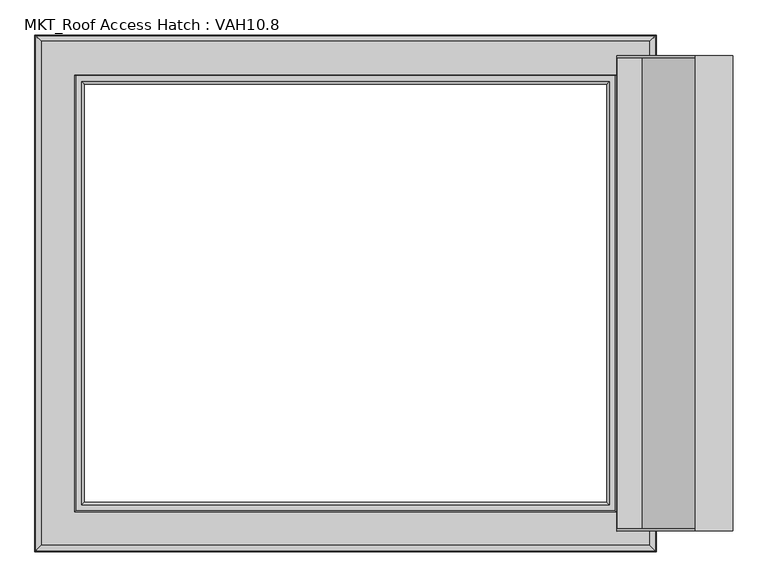
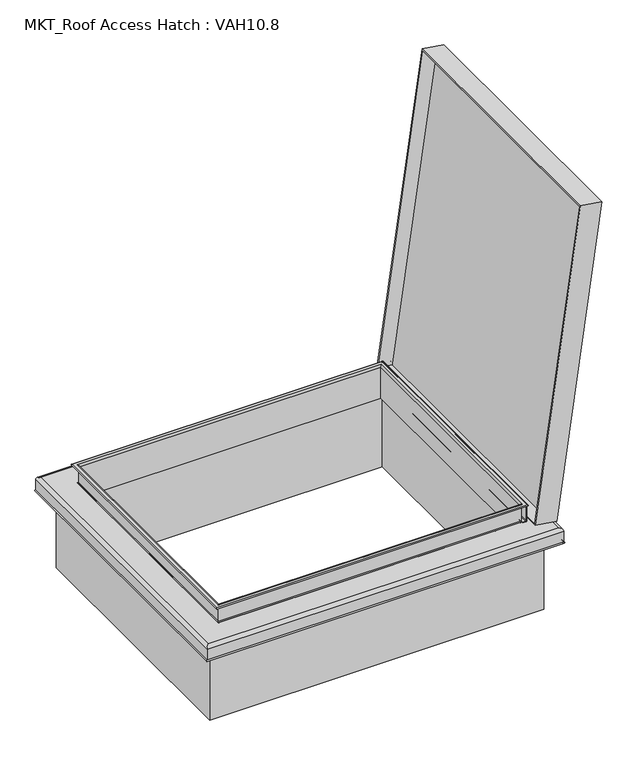
"""IFC4 building model written with IfcOpenShell, lengths in millimetres: proxy geometry, MKT_Roof Access Hatch : VAH10.8."""

from ifc_helpers import new_model, si_unit, point, frame, frame_2d, origin, origin_with_axes, place, context, project, spatial, polyline, circle_curve, ellipse_curve, trimmed, segment, composite_curve, outline, extrude, faceted_brep, source, transform, mapped, element, save
from ifc_brep_helpers import plane_surface, cylinder_surface, revolved_surface, advanced_brep


def mkt_roof_access_hatch_vah10_8_7f130810(model_context):
    return source(origin(), model_context, "Body", "SolidModel", [
        faceted_brep([(519.0402499, 455.0, 315.5334715), (519.0402499, -455.0, 315.5334715), (669.347199, -455.0, 1385.0229858), (669.347199, 455.0, 1385.0229858), (519.7361154, 450.0, 320.4848119), (668.6513335, 450.0, 1380.0716454), (668.6513335, -450.0, 1380.0716454), (519.7361154, -450.0, 320.4848119), (590.3395509, 455.0, 305.5130083), (740.6464999, 455.0, 1375.0025225), (740.6464999, -455.0, 1375.0025225), (590.3395509, -455.0, 305.5130083), (567.2689827, 450.0, 313.804503), (567.2689827, -450.0, 313.804503), (716.1842008, -450.0, 1373.3913366), (716.1842008, 450.0, 1373.3913366)], [[[0, 1, 2, 3], [4, 5, 6, 7]], [[8, 9, 10, 11]], [[1, 0, 8, 11]], [[2, 1, 11, 10]], [[3, 2, 10, 9]], [[0, 3, 9, 8]], [[12, 13, 14, 15]], [[12, 15, 5, 4]], [[15, 14, 6, 5]], [[14, 13, 7, 6]], [[13, 12, 4, 7]]]),
        extrude(outline(composite_curve([segment(polyline([(361.5, 513.4), (361.5, 504.5), (359.5, 504.5), (359.5, 513.4)]), True, "CONTINUOUS"), segment(trimmed(circle_curve(frame_2d((356.9, 513.4)), 2.6), [point((359.5, 513.4))], [point((356.9, 516.0))], True, "CARTESIAN"), True, "CONTINUOUS"), segment(polyline([(356.9, 516.0), (307.1, 516.0)]), True, "CONTINUOUS"), segment(trimmed(circle_curve(frame_2d((307.1, 513.4)), 2.6), [point((307.1, 516.0))], [point((304.5, 513.4))], True, "CARTESIAN"), True, "CONTINUOUS"), segment(polyline([(304.5, 513.4), (304.5, 504.5), (302.5, 504.5), (302.5, 513.4)]), True, "CONTINUOUS"), segment(trimmed(circle_curve(frame_2d((307.1, 513.4)), 4.6), [point((302.5, 513.4))], [point((307.1, 518.0))], False, "CARTESIAN"), True, "CONTINUOUS"), segment(polyline([(307.1, 518.0), (356.9, 518.0)]), True, "CONTINUOUS"), segment(trimmed(circle_curve(frame_2d((356.9, 513.4)), 4.6), [point((356.9, 518.0))], [point((361.5, 513.4))], False, "CARTESIAN"), True, "CONTINUOUS")], self_intersect=False)), frame((0.0, -410.0, 0.0), z_axis=(0.0, 1.0, 0.0), x_axis=(0.0, 0.0, 1.0)), (0.0, 0.0, 1.0), 820.0),
        extrude(outline(polyline([(555.0, 439.4933468), (555.0, -442.0066532), (-555.0, -442.0066532), (-555.0, 439.4933468), (555.0, 439.4933468)]), holes=[polyline([(510.0, 410.0), (-510.0, 410.0), (-510.0, -410.0), (510.0, -410.0), (510.0, 410.0)])]), origin_with_axes(), (0.0, 0.0, 1.0), 299.5),
        advanced_brep(
        [(505.0, 405.0, 365.0), (500.0, 400.0, 360.0), (500.0, -400.0, 360.0), (505.0, -405.0, 365.0), (514.6688612, 414.6688612, 362.5), (516.25, 416.25, 365.0), (516.25, -416.25, 365.0), (514.6688612, -414.6688612, 362.5), (502.5, 402.5, 360.0), (505.0, 405.0, 362.5), (505.0, -405.0, 362.5), (502.5, -402.5, 360.0), (502.5, 402.5, 305.5), (502.5, -402.5, 305.5), (505.5, 405.5, 302.5), (505.5, -405.5, 302.5), (592.5, 492.5, 292.5), (582.5, 482.5, 302.5), (582.5, -482.5, 302.5), (592.5, -492.5, 292.5), (592.5, 492.5, 254.9494897), (592.5, -492.5, 254.9494897), (589.5, 489.5, 252.5), (589.5, -489.5, 252.5), (589.5, 489.5, 292.5), (589.5, -489.5, 292.5), (582.5, 482.5, 299.5), (582.5, -482.5, 299.5), (502.5, 402.5, 298.5), (503.5, 403.5, 299.5), (503.5, -403.5, 299.5), (502.5, -402.5, 298.5), (502.5, 402.5, 250.0), (502.5, -402.5, 250.0), (500.0, 400.0, 250.0), (500.0, -400.0, 250.0), (-500.0, -400.0, 360.0), (-505.0, -405.0, 365.0), (-516.25, -416.25, 365.0), (-514.6688612, -414.6688612, 362.5), (-505.0, -405.0, 362.5), (-502.5, -402.5, 360.0), (-502.5, -402.5, 305.5), (-505.5, -405.5, 302.5), (-582.5, -482.5, 302.5), (-592.5, -492.5, 292.5), (-592.5, -492.5, 254.9494897), (-589.5, -489.5, 252.5), (-589.5, -489.5, 292.5), (-582.5, -482.5, 299.5), (-503.5, -403.5, 299.5), (-502.5, -402.5, 298.5), (-502.5, -402.5, 250.0), (-500.0, -400.0, 250.0), (-500.0, 400.0, 360.0), (-505.0, 405.0, 365.0), (-516.25, 416.25, 365.0), (-514.6688612, 414.6688612, 362.5), (-505.0, 405.0, 362.5), (-502.5, 402.5, 360.0), (-502.5, 402.5, 305.5), (-505.5, 405.5, 302.5), (-582.5, 482.5, 302.5), (-592.5, 492.5, 292.5), (-592.5, 492.5, 254.9494897), (-589.5, 489.5, 252.5), (-589.5, 489.5, 292.5), (-582.5, 482.5, 299.5), (-503.5, 403.5, 299.5), (-502.5, 402.5, 298.5), (-502.5, 402.5, 250.0), (-500.0, 400.0, 250.0)],
        [
            (0, 1, ellipse_curve(frame((505.0, 405.0, 360.0), z_axis=(0.7071067811865475, -0.7071067811865475, 0.0), x_axis=(0.7071067811865474, 0.7071067811865476, 0.0)), 7.0710678, 5.0)),
            (1, 2),
            (2, 3, ellipse_curve(frame((505.0, -405.0, 360.0), z_axis=(0.7071067811865475, 0.7071067811865475, 0.0), x_axis=(-0.7071067811865474, 0.7071067811865476, 0.0)), 7.0710678, 5.0)),
            (3, 0),
            (4, 5, ellipse_curve(frame((516.25, 416.25, 363.25), z_axis=(0.7071067811865475, -0.7071067811865475, 0.0), x_axis=(0.7071067811865474, 0.7071067811865476, 0.0)), 2.4748737, 1.75)),
            (5, 6),
            (6, 7, ellipse_curve(frame((516.25, -416.25, 363.25), z_axis=(0.7071067811865475, 0.7071067811865475, 0.0), x_axis=(-0.7071067811865474, 0.7071067811865476, 0.0)), 2.4748737, 1.75)),
            (7, 4),
            (8, 9, ellipse_curve(frame((505.0, 405.0, 360.0), z_axis=(-0.7071067811865475, 0.7071067811865475, 0.0), x_axis=(-0.7071067811865474, -0.7071067811865476, 0.0)), 3.5355339, 2.5)),
            (9, 10),
            (10, 11, ellipse_curve(frame((505.0, -405.0, 360.0), z_axis=(-0.7071067811865475, -0.7071067811865475, 0.0), x_axis=(0.7071067811865474, -0.7071067811865476, 0.0)), 3.5355339, 2.5)),
            (11, 8),
            (12, 8),
            (11, 13),
            (13, 12),
            (14, 12, ellipse_curve(frame((505.5, 405.5, 305.5), z_axis=(-0.7071067811865475, 0.7071067811865475, 0.0), x_axis=(-0.7071067811865474, -0.7071067811865476, 0.0)), 4.2426407, 3.0)),
            (13, 15, ellipse_curve(frame((505.5, -405.5, 305.5), z_axis=(-0.7071067811865475, -0.7071067811865475, 0.0), x_axis=(0.7071067811865474, -0.7071067811865476, 0.0)), 4.2426407, 3.0)),
            (15, 14),
            (16, 17, ellipse_curve(frame((582.5, 482.5, 292.5), z_axis=(0.7071067811865475, -0.7071067811865475, 0.0), x_axis=(0.7071067811865474, 0.7071067811865476, 0.0)), 14.1421356, 10.0)),
            (17, 18),
            (18, 19, ellipse_curve(frame((582.5, -482.5, 292.5), z_axis=(0.7071067811865475, 0.7071067811865475, 0.0), x_axis=(-0.7071067811865474, 0.7071067811865476, 0.0)), 14.1421356, 10.0)),
            (19, 16),
            (20, 16),
            (19, 21),
            (21, 20),
            (22, 20, ellipse_curve(frame((592.0, 492.0, 252.5), z_axis=(0.7071067811865475, -0.7071067811865475, 0.0), x_axis=(0.7071067811865474, 0.7071067811865476, 0.0)), 3.5355339, 2.5)),
            (21, 23, ellipse_curve(frame((592.0, -492.0, 252.5), z_axis=(0.7071067811865475, 0.7071067811865475, 0.0), x_axis=(-0.7071067811865474, 0.7071067811865476, 0.0)), 3.5355339, 2.5)),
            (23, 22),
            (24, 22),
            (23, 25),
            (25, 24),
            (26, 24, ellipse_curve(frame((582.5, 482.5, 292.5), z_axis=(-0.7071067811865475, 0.7071067811865475, 0.0), x_axis=(-0.7071067811865474, -0.7071067811865476, 0.0)), 9.8994949, 7.0)),
            (25, 27, ellipse_curve(frame((582.5, -482.5, 292.5), z_axis=(-0.7071067811865475, -0.7071067811865475, 0.0), x_axis=(0.7071067811865474, -0.7071067811865476, 0.0)), 9.8994949, 7.0)),
            (27, 26),
            (28, 29, ellipse_curve(frame((503.5, 403.5, 298.5), z_axis=(-0.7071067811865475, 0.7071067811865475, 0.0), x_axis=(-0.7071067811865474, -0.7071067811865476, 0.0)), 1.4142136, 1.0)),
            (29, 30),
            (30, 31, ellipse_curve(frame((503.5, -403.5, 298.5), z_axis=(-0.7071067811865475, -0.7071067811865475, 0.0), x_axis=(0.7071067811865474, -0.7071067811865476, 0.0)), 1.4142136, 1.0)),
            (31, 28),
            (32, 28),
            (31, 33),
            (33, 32),
            (1, 34),
            (34, 35),
            (35, 2),
            (2, 36),
            (36, 37, ellipse_curve(frame((-505.0, -405.0, 360.0), z_axis=(0.7071067811865475, -0.7071067811865475, 0.0), x_axis=(0.7071067811865476, 0.7071067811865474, 0.0)), 7.0710678, 5.0)),
            (37, 3),
            (6, 38),
            (38, 39, ellipse_curve(frame((-516.25, -416.25, 363.25), z_axis=(0.7071067811865475, -0.7071067811865475, 0.0), x_axis=(0.7071067811865476, 0.7071067811865474, 0.0)), 2.4748737, 1.75)),
            (39, 7),
            (10, 40),
            (40, 41, ellipse_curve(frame((-505.0, -405.0, 360.0), z_axis=(-0.7071067811865475, 0.7071067811865475, 0.0), x_axis=(-0.7071067811865476, -0.7071067811865474, 0.0)), 3.5355339, 2.5)),
            (41, 11),
            (41, 42),
            (42, 13),
            (42, 43, ellipse_curve(frame((-505.5, -405.5, 305.5), z_axis=(-0.7071067811865475, 0.7071067811865475, 0.0), x_axis=(-0.7071067811865476, -0.7071067811865474, 0.0)), 4.2426407, 3.0)),
            (43, 15),
            (18, 44),
            (44, 45, ellipse_curve(frame((-582.5, -482.5, 292.5), z_axis=(0.7071067811865475, -0.7071067811865475, 0.0), x_axis=(0.7071067811865476, 0.7071067811865474, 0.0)), 14.1421356, 10.0)),
            (45, 19),
            (45, 46),
            (46, 21),
            (46, 47, ellipse_curve(frame((-592.0, -492.0, 252.5), z_axis=(0.7071067811865475, -0.7071067811865475, 0.0), x_axis=(0.7071067811865476, 0.7071067811865474, 0.0)), 3.5355339, 2.5)),
            (47, 23),
            (47, 48),
            (48, 25),
            (48, 49, ellipse_curve(frame((-582.5, -482.5, 292.5), z_axis=(-0.7071067811865475, 0.7071067811865475, 0.0), x_axis=(-0.7071067811865476, -0.7071067811865474, 0.0)), 9.8994949, 7.0)),
            (49, 27),
            (30, 50),
            (50, 51, ellipse_curve(frame((-503.5, -403.5, 298.5), z_axis=(-0.7071067811865475, 0.7071067811865475, 0.0), x_axis=(-0.7071067811865476, -0.7071067811865474, 0.0)), 1.4142136, 1.0)),
            (51, 31),
            (51, 52),
            (52, 33),
            (35, 53),
            (53, 36),
            (36, 54),
            (54, 55, ellipse_curve(frame((-505.0, 405.0, 360.0), z_axis=(-0.7071067811865475, -0.7071067811865475, 0.0), x_axis=(0.7071067811865474, -0.7071067811865476, 0.0)), 7.0710678, 5.0)),
            (55, 37),
            (38, 56),
            (56, 57, ellipse_curve(frame((-516.25, 416.25, 363.25), z_axis=(-0.7071067811865475, -0.7071067811865475, 0.0), x_axis=(0.7071067811865474, -0.7071067811865476, 0.0)), 2.4748737, 1.75)),
            (57, 39),
            (40, 58),
            (58, 59, ellipse_curve(frame((-505.0, 405.0, 360.0), z_axis=(0.7071067811865475, 0.7071067811865475, 0.0), x_axis=(-0.7071067811865474, 0.7071067811865476, 0.0)), 3.5355339, 2.5)),
            (59, 41),
            (59, 60),
            (60, 42),
            (60, 61, ellipse_curve(frame((-505.5, 405.5, 305.5), z_axis=(0.7071067811865475, 0.7071067811865475, 0.0), x_axis=(-0.7071067811865474, 0.7071067811865476, 0.0)), 4.2426407, 3.0)),
            (61, 43),
            (44, 62),
            (62, 63, ellipse_curve(frame((-582.5, 482.5, 292.5), z_axis=(-0.7071067811865475, -0.7071067811865475, 0.0), x_axis=(0.7071067811865474, -0.7071067811865476, 0.0)), 14.1421356, 10.0)),
            (63, 45),
            (63, 64),
            (64, 46),
            (64, 65, ellipse_curve(frame((-592.0, 492.0, 252.5), z_axis=(-0.7071067811865475, -0.7071067811865475, 0.0), x_axis=(0.7071067811865474, -0.7071067811865476, 0.0)), 3.5355339, 2.5)),
            (65, 47),
            (65, 66),
            (66, 48),
            (66, 67, ellipse_curve(frame((-582.5, 482.5, 292.5), z_axis=(0.7071067811865475, 0.7071067811865475, 0.0), x_axis=(-0.7071067811865474, 0.7071067811865476, 0.0)), 9.8994949, 7.0)),
            (67, 49),
            (50, 68),
            (68, 69, ellipse_curve(frame((-503.5, 403.5, 298.5), z_axis=(0.7071067811865475, 0.7071067811865475, 0.0), x_axis=(-0.7071067811865474, 0.7071067811865476, 0.0)), 1.4142136, 1.0)),
            (69, 51),
            (69, 70),
            (70, 52),
            (53, 71),
            (71, 54),
            (54, 1),
            (0, 55),
            (5, 56),
            (4, 57),
            (9, 58),
            (8, 59),
            (12, 60),
            (14, 61),
            (17, 62),
            (16, 63),
            (20, 64),
            (22, 65),
            (24, 66),
            (26, 67),
            (29, 68),
            (28, 69),
            (32, 70),
            (34, 71),
        ],
        [
            cylinder_surface(frame((505.0, 494.5, 360.0), z_axis=(0.0, 1.0, 0.0), x_axis=(-1.0, 0.0, 0.0)), 5.0),
            cylinder_surface(frame((516.25, 494.5, 363.25), z_axis=(0.0, 1.0, 0.0), x_axis=(-1.0, 0.0, 0.0)), 1.75),
            revolved_surface(polyline([(502.5, -407.49999999580496, 360.0), (502.5, 407.49999999580496, 360.0)]), (505.0, 494.5, 360.0), (0.0, -1.0, 0.0)),
            plane_surface(frame((502.5, 402.5, 360.0), z_axis=(1.0, 0.0, 0.0), x_axis=(0.0, -1.0, 0.0))),
            revolved_surface(polyline([(502.5, -408.500000009108, 305.5), (502.5, 408.500000009108, 305.5)]), (505.5, 494.5, 305.5), (0.0, -1.0, 0.0)),
            cylinder_surface(frame((582.5, 494.5, 292.5), z_axis=(0.0, 1.0, 0.0), x_axis=(-1.0, 0.0, 0.0)), 10.0),
            plane_surface(frame((592.5, 492.5, 292.5), z_axis=(1.0, 0.0, 0.0), x_axis=(0.0, -1.0, 0.0))),
            cylinder_surface(frame((592.0, 494.5, 252.5), z_axis=(0.0, 1.0, 0.0), x_axis=(-1.0, 0.0, 0.0)), 2.5),
            plane_surface(frame((589.5, 489.5, 252.5), z_axis=(-1.0, 0.0, 0.0), x_axis=(0.0, -1.0, 0.0))),
            revolved_surface(polyline([(575.5, -489.5, 292.5), (575.5, 489.5, 292.5)]), (582.5, 494.5, 292.5), (0.0, -1.0, 0.0)),
            revolved_surface(polyline([(502.5, -404.50000002660624, 298.5), (502.5, 404.50000002660624, 298.5)]), (503.5, 494.5, 298.5), (0.0, -1.0, 0.0)),
            plane_surface(frame((502.5, 402.5, 298.5), z_axis=(1.0, 0.0, 0.0), x_axis=(0.0, -1.0, 0.0))),
            plane_surface(frame((500.0, 400.0, 250.0), z_axis=(-1.0, 0.0, 0.0), x_axis=(0.0, -1.0, 0.0))),
            cylinder_surface(frame((594.5, -405.0, 360.0), z_axis=(1.0, 0.0, 0.0), x_axis=(0.0, 1.0, 0.0)), 5.0),
            cylinder_surface(frame((594.5, -416.25, 363.25), z_axis=(1.0, 0.0, 0.0), x_axis=(0.0, 1.0, 0.0)), 1.75),
            revolved_surface(polyline([(-507.49999999580496, -402.5, 360.0), (507.49999999580496, -402.5, 360.0)]), (594.5, -405.0, 360.0), (-1.0, 0.0, 0.0)),
            plane_surface(frame((502.5, -402.5, 360.0), z_axis=(0.0, -1.0, 0.0), x_axis=(-1.0, 0.0, 0.0))),
            revolved_surface(polyline([(-508.50000000910813, -402.5, 305.5), (508.500000009108, -402.5, 305.5)]), (594.5, -405.5, 305.5), (-1.0, 0.0, 0.0)),
            cylinder_surface(frame((594.5, -482.5, 292.5), z_axis=(1.0, 0.0, 0.0), x_axis=(0.0, 1.0, 0.0)), 10.0),
            plane_surface(frame((592.5, -492.5, 292.5), z_axis=(0.0, -1.0, 0.0), x_axis=(-1.0, 0.0, 0.0))),
            cylinder_surface(frame((594.5, -492.0, 252.5), z_axis=(1.0, 0.0, 0.0), x_axis=(0.0, 1.0, 0.0)), 2.5),
            plane_surface(frame((589.5, -489.5, 252.5), z_axis=(0.0, 1.0, 0.0), x_axis=(-1.0, 0.0, 0.0))),
            revolved_surface(polyline([(-589.5, -475.5, 292.5), (589.5, -475.5, 292.5)]), (594.5, -482.5, 292.5), (-1.0, 0.0, 0.0)),
            revolved_surface(polyline([(-504.50000002660613, -402.5, 298.5), (504.50000002660624, -402.5, 298.5)]), (594.5, -403.5, 298.5), (-1.0, 0.0, 0.0)),
            plane_surface(frame((502.5, -402.5, 298.5), z_axis=(0.0, -1.0, 0.0), x_axis=(-1.0, 0.0, 0.0))),
            plane_surface(frame((500.0, -400.0, 250.0), z_axis=(0.0, 1.0, 0.0), x_axis=(-1.0, 0.0, 0.0))),
            cylinder_surface(frame((-505.0, -494.5, 360.0), z_axis=(0.0, -1.0, 0.0), x_axis=(1.0, 0.0, 0.0)), 5.0),
            cylinder_surface(frame((-516.25, -494.5, 363.25), z_axis=(0.0, -1.0, 0.0), x_axis=(1.0, 0.0, 0.0)), 1.75),
            revolved_surface(polyline([(-502.5, 407.49999999580496, 360.0), (-502.5, -407.49999999580496, 360.0)]), (-505.0, -494.5, 360.0), (0.0, 1.0, 0.0)),
            plane_surface(frame((-502.5, -402.5, 360.0), z_axis=(-1.0, 0.0, 0.0), x_axis=(0.0, 1.0, 0.0))),
            revolved_surface(polyline([(-502.5, 408.500000009108, 305.5), (-502.5, -408.500000009108, 305.5)]), (-505.5, -494.5, 305.5), (0.0, 1.0, 0.0)),
            cylinder_surface(frame((-582.5, -494.5, 292.5), z_axis=(0.0, -1.0, 0.0), x_axis=(1.0, 0.0, 0.0)), 10.0),
            plane_surface(frame((-592.5, -492.5, 292.5), z_axis=(-1.0, 0.0, 0.0), x_axis=(0.0, 1.0, 0.0))),
            cylinder_surface(frame((-592.0, -494.5, 252.5), z_axis=(0.0, -1.0, 0.0), x_axis=(1.0, 0.0, 0.0)), 2.5),
            plane_surface(frame((-589.5, -489.5, 252.5), z_axis=(1.0, 0.0, 0.0), x_axis=(0.0, 1.0, 0.0))),
            revolved_surface(polyline([(-575.5, 489.5, 292.5), (-575.5, -489.5, 292.5)]), (-582.5, -494.5, 292.5), (0.0, 1.0, 0.0)),
            revolved_surface(polyline([(-502.5, 404.50000002660624, 298.5), (-502.5, -404.50000002660624, 298.5)]), (-503.5, -494.5, 298.5), (0.0, 1.0, 0.0)),
            plane_surface(frame((-502.5, -402.5, 298.5), z_axis=(-1.0, 0.0, 0.0), x_axis=(0.0, 1.0, 0.0))),
            plane_surface(frame((-500.0, -400.0, 250.0), z_axis=(1.0, 0.0, 0.0), x_axis=(0.0, 1.0, 0.0))),
            cylinder_surface(frame((-594.5, 405.0, 360.0), z_axis=(-1.0, 0.0, 0.0), x_axis=(0.0, -1.0, 0.0)), 5.0),
            plane_surface(frame((-505.0, 405.0, 365.0), z_axis=(0.0, 0.0, 1.0), x_axis=(1.0, 0.0, 0.0))),
            cylinder_surface(frame((-594.5, 416.25, 363.25), z_axis=(-1.0, 0.0, 0.0), x_axis=(0.0, -1.0, 0.0)), 1.75),
            plane_surface(frame((-514.6688612, 414.6688612, 362.5), z_axis=(0.0, 0.0, -1.0), x_axis=(1.0, 0.0, 0.0))),
            revolved_surface(polyline([(507.49999999580496, 402.5, 360.0), (-507.49999999580496, 402.5, 360.0)]), (-594.5, 405.0, 360.0), (1.0, 0.0, 0.0)),
            plane_surface(frame((-502.5, 402.5, 360.0), z_axis=(0.0, 1.0, 0.0), x_axis=(1.0, 0.0, 0.0))),
            revolved_surface(polyline([(508.50000000910813, 402.5, 305.5), (-508.500000009108, 402.5, 305.5)]), (-594.5, 405.5, 305.5), (1.0, 0.0, 0.0)),
            plane_surface(frame((-505.5, 405.5, 302.5), z_axis=(0.0, 0.0, 1.0), x_axis=(1.0, 0.0, 0.0))),
            cylinder_surface(frame((-594.5, 482.5, 292.5), z_axis=(-1.0, 0.0, 0.0), x_axis=(0.0, -1.0, 0.0)), 10.0),
            plane_surface(frame((-592.5, 492.5, 292.5), z_axis=(0.0, 1.0, 0.0), x_axis=(1.0, 0.0, 0.0))),
            cylinder_surface(frame((-594.5, 492.0, 252.5), z_axis=(-1.0, 0.0, 0.0), x_axis=(0.0, -1.0, 0.0)), 2.5),
            plane_surface(frame((-589.5, 489.5, 252.5), z_axis=(0.0, -1.0, 0.0), x_axis=(1.0, 0.0, 0.0))),
            revolved_surface(polyline([(589.5, 475.5, 292.5), (-589.5, 475.5, 292.5)]), (-594.5, 482.5, 292.5), (1.0, 0.0, 0.0)),
            plane_surface(frame((-582.5, 482.5, 299.5), z_axis=(0.0, 0.0, -1.0), x_axis=(1.0, 0.0, 0.0))),
            revolved_surface(polyline([(504.50000002660613, 402.5, 298.5), (-504.50000002660624, 402.5, 298.5)]), (-594.5, 403.5, 298.5), (1.0, 0.0, 0.0)),
            plane_surface(frame((-502.5, 402.5, 298.5), z_axis=(0.0, 1.0, 0.0), x_axis=(1.0, 0.0, 0.0))),
            plane_surface(frame((-502.5, 402.5, 250.0), z_axis=(0.0, 0.0, -1.0), x_axis=(1.0, 0.0, 0.0))),
            plane_surface(frame((-500.0, 400.0, 250.0), z_axis=(0.0, -1.0, 0.0), x_axis=(1.0, 0.0, 0.0))),
        ],
        [
            (0, [[1, 2, 3, 4]]),
            (1, [[5, 6, 7, 8]]),
            (2, [[9, 10, 11, 12]]),
            (3, [[13, -12, 14, 15]]),
            (4, [[16, -15, 17, 18]]),
            (5, [[19, 20, 21, 22]]),
            (6, [[23, -22, 24, 25]]),
            (7, [[26, -25, 27, 28]]),
            (8, [[29, -28, 30, 31]]),
            (9, [[32, -31, 33, 34]]),
            (10, [[35, 36, 37, 38]]),
            (11, [[39, -38, 40, 41]]),
            (12, [[42, 43, 44, -2]]),
            (13, [[-3, 45, 46, 47]]),
            (14, [[-7, 48, 49, 50]]),
            (15, [[-11, 51, 52, 53]]),
            (16, [[-14, -53, 54, 55]]),
            (17, [[-17, -55, 56, 57]]),
            (18, [[-21, 58, 59, 60]]),
            (19, [[-24, -60, 61, 62]]),
            (20, [[-27, -62, 63, 64]]),
            (21, [[-30, -64, 65, 66]]),
            (22, [[-33, -66, 67, 68]]),
            (23, [[-37, 69, 70, 71]]),
            (24, [[-40, -71, 72, 73]]),
            (25, [[-44, 74, 75, -45]]),
            (26, [[-46, 76, 77, 78]]),
            (27, [[-49, 79, 80, 81]]),
            (28, [[-52, 82, 83, 84]]),
            (29, [[-54, -84, 85, 86]]),
            (30, [[-56, -86, 87, 88]]),
            (31, [[-59, 89, 90, 91]]),
            (32, [[-61, -91, 92, 93]]),
            (33, [[-63, -93, 94, 95]]),
            (34, [[-65, -95, 96, 97]]),
            (35, [[-67, -97, 98, 99]]),
            (36, [[-70, 100, 101, 102]]),
            (37, [[-72, -102, 103, 104]]),
            (38, [[-75, 105, 106, -76]]),
            (39, [[-77, 107, -1, 108]]),
            (40, [[109, -79, -48, -6], [-47, -78, -108, -4]]),
            (41, [[-80, -109, -5, 110]]),
            (42, [[-50, -81, -110, -8], [111, -82, -51, -10]]),
            (43, [[-83, -111, -9, 112]]),
            (44, [[-85, -112, -13, 113]]),
            (45, [[-87, -113, -16, 114]]),
            (46, [[115, -89, -58, -20], [-57, -88, -114, -18]]),
            (47, [[-90, -115, -19, 116]]),
            (48, [[-92, -116, -23, 117]]),
            (49, [[-94, -117, -26, 118]]),
            (50, [[-96, -118, -29, 119]]),
            (51, [[-98, -119, -32, 120]]),
            (52, [[-68, -99, -120, -34], [121, -100, -69, -36]]),
            (53, [[-101, -121, -35, 122]]),
            (54, [[-103, -122, -39, 123]]),
            (55, [[-73, -104, -123, -41], [124, -105, -74, -43]]),
            (56, [[-106, -124, -42, -107]]),
        ],
    ),
    ])


if __name__ == "__main__":
    model = new_model("IFC4")
    model_context = context("Model", 3, world=origin())
    ifc_project = project(units=[si_unit("LENGTHUNIT", "METRE", prefix="MILLI")], contexts=[model_context])
    site = spatial("IfcSite", under=ifc_project)
    building = spatial("IfcBuilding", under=site)
    placement = place(None, origin())
    mkt_roof_access_hatch_vah10_8_shape = mkt_roof_access_hatch_vah10_8_7f130810(model_context)
    element("IfcBuildingElementProxy", 1, Name="MKT_Roof Access Hatch : VAH10.8", ObjectType="MKT_Roof Access Hatch : VAH10.8", at=placement, inside=building, context=model_context, shape_type="MappedRepresentation", body=[
        mapped(mkt_roof_access_hatch_vah10_8_shape, transform((0.0, 0.0, 0.0), x_axis=(1.0, 0.0, 0.0), y_axis=(0.0, 1.0, 0.0), z_axis=(0.0, 0.0, 1.0))),
    ])
    save(model, "model.ifc")
